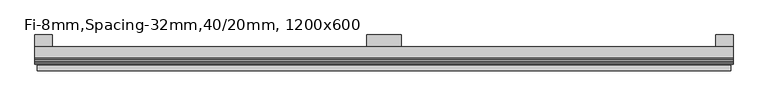
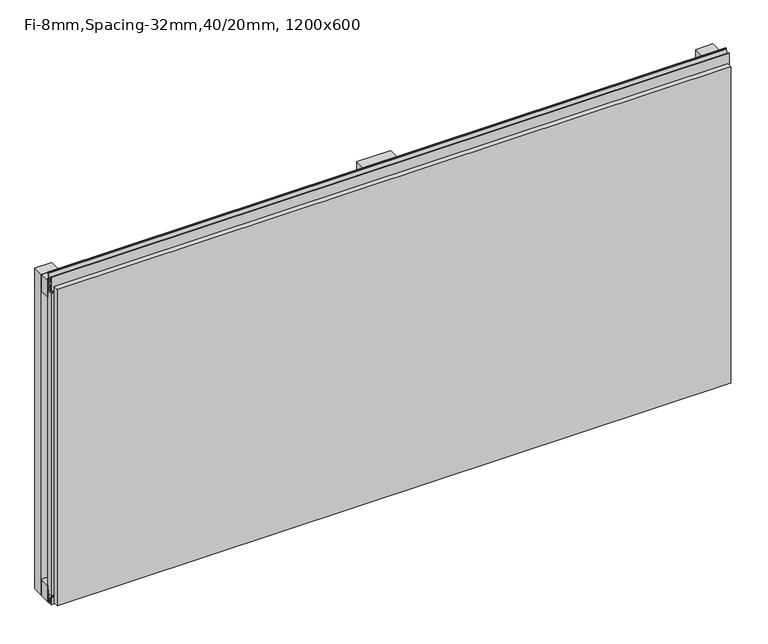
"""IFC4 building model written with IfcOpenShell, lengths in millimetres: plate geometry, Fi-8mm,Spacing-32mm,40/20mm, 1200x600."""

from ifc_helpers import new_model, si_unit, frame, origin, origin_with_axes, place, context, project, spatial, polyline, outline, extrude, faceted_brep, source, transform, mapped, element, save


def fi_8mm_spacing_32mm_40_20mm_1200x600_a8707a50(model_context):
    return source(origin(), model_context, "Body", "SolidModel", [
        extrude(outline(polyline([(-600.0, -40.0), (-600.0, -20.0), (600.0, -20.0), (600.0, -40.0), (-600.0, -40.0)])), frame((0.0, 0.0, 570.0), z_axis=(0.0, 0.0, 1.0), x_axis=(1.0, 0.0, 0.0)), (0.0, 0.0, 1.0), 30.0),
        extrude(outline(polyline([(-600.0, -40.0), (-600.0, -20.0), (600.0, -20.0), (600.0, -40.0), (-600.0, -40.0)])), origin_with_axes(), (0.0, 0.0, 1.0), 30.0),
        extrude(outline(polyline([(570.0, 0.0), (600.0, 0.0), (600.0, -20.0), (570.0, -20.0), (570.0, 0.0)])), origin_with_axes(), (0.0, 0.0, 1.0), 600.0),
        extrude(outline(polyline([(30.0, 0.0), (30.0, -20.0), (-30.0, -20.0), (-30.0, 0.0), (30.0, 0.0)])), origin_with_axes(), (0.0, 0.0, 1.0), 600.0),
        extrude(outline(polyline([(-570.0, 0.0), (-570.0, -20.0), (-600.0, -20.0), (-600.0, 0.0), (-570.0, 0.0)])), origin_with_axes(), (0.0, 0.0, 1.0), 600.0),
        extrude(outline(polyline([(-40.0, 6.299084), (-40.0, 0.0), (-50.1, 0.0), (-50.1, 13.4156807), (-48.7, 13.4156807), (-48.7, 1.4156807), (-41.4, 1.4156807), (-41.4, 4.899084), (-45.5140545, 4.899084), (-41.4553267, 15.5703394), (-41.4553267, 22.991548), (-40.0553267, 22.991548), (-40.0553267, 15.3558599), (-43.5, 6.299084), (-40.0, 6.299084)])), frame((-600.0, 0.0, 0.0), z_axis=(1.0, 0.0, 0.0), x_axis=(0.0, 1.0, 0.0)), (0.0, 0.0, 1.0), 1200.0),
        extrude(outline(polyline([(-593.700916, -40.0), (-593.700916, -43.5), (-584.6441401, -40.0553267), (-577.008452, -40.0553267), (-577.008452, -41.4553267), (-584.4296606, -41.4553267), (-595.100916, -45.5140545), (-595.100916, -41.4), (-598.5843193, -41.4), (-598.5843193, -48.7), (-586.5843193, -48.7), (-586.5843193, -50.1), (-600.0, -50.1), (-600.0, -40.0), (-593.700916, -40.0)])), frame((0.0, 0.0, 16.9558599), z_axis=(0.0, 0.0, 1.0), x_axis=(1.0, 0.0, 0.0)), (0.0, 0.0, 1.0), 566.0882802),
        extrude(outline(polyline([(593.700916, -40.0), (600.0, -40.0), (600.0, -50.1), (586.5843193, -50.1), (586.5843193, -48.7), (598.5843193, -48.7), (598.5843193, -41.4), (595.100916, -41.4), (595.100916, -45.5140545), (584.4296606, -41.4553267), (577.008452, -41.4553267), (577.008452, -40.0553267), (584.6441401, -40.0553267), (593.700916, -43.5), (593.700916, -40.0)])), frame((0.0, 0.0, 16.9558599), z_axis=(0.0, 0.0, 1.0), x_axis=(1.0, 0.0, 0.0)), (0.0, 0.0, 1.0), 566.0882802),
        extrude(outline(polyline([(-48.7, 600.899084), (-41.4, 600.899084), (-41.4, 604.899084), (-45.5140545, 604.899084), (-41.4553267, 615.5703394), (-41.4553267, 616.9558599), (-40.0553267, 616.9558599), (-40.0553267, 615.3558599), (-43.5, 606.299084), (-40.0, 606.299084), (-40.0, 593.700916), (-43.5, 593.700916), (-40.0553267, 584.6441401), (-40.0553267, 583.0441401), (-41.4553267, 583.0441401), (-41.4553267, 584.4296606), (-45.5140545, 595.100916), (-41.4, 595.100916), (-41.4, 599.100916), (-48.7, 599.100916), (-48.7, 587.100916), (-50.1, 587.100916), (-50.1, 612.899084), (-48.7, 612.899084), (-48.7, 600.899084)])), frame((-600.0, 0.0, 0.0), z_axis=(1.0, 0.0, 0.0), x_axis=(0.0, 1.0, 0.0)), (0.0, 0.0, 1.0), 1200.0),
        faceted_brep([(596.0, -45.9, 596.0), (-596.0, -45.9, 596.0), (-596.0, -48.7, 596.0), (596.0, -48.7, 596.0), (-596.0, -61.9, 596.0), (596.0, -61.9, 596.0), (596.0, -51.9, 596.0), (-596.0, -51.9, 596.0), (-596.0, -45.9, 4.0), (596.0, -45.9, 4.0), (596.0, -48.7, 4.0), (-596.0, -48.7, 4.0), (596.0, -61.9, 4.0), (-596.0, -61.9, 4.0), (-596.0, -51.9, 4.0), (596.0, -51.9, 4.0), (584.0, -51.9, 584.0), (584.0, -51.9, 16.0), (584.0, -48.7, 16.0), (584.0, -48.7, 584.0), (-584.0, -51.9, 16.0), (-584.0, -48.7, 16.0), (-584.0, -51.9, 584.0), (-584.0, -48.7, 584.0)], [[[0, 1, 2, 3]], [[4, 5, 6, 7]], [[8, 9, 10, 11]], [[12, 13, 14, 15]], [[1, 0, 9, 8]], [[1, 8, 11, 2]], [[13, 4, 7, 14]], [[5, 4, 13, 12]], [[9, 0, 3, 10]], [[5, 12, 15, 6]], [[16, 17, 18, 19]], [[18, 17, 20, 21]], [[21, 20, 22, 23]], [[16, 19, 23, 22]], [[7, 6, 15, 14], [17, 16, 22, 20]], [[3, 2, 11, 10], [19, 18, 21, 23]]]),
    ])


if __name__ == "__main__":
    model = new_model("IFC4")
    model_context = context("Model", 3, world=origin())
    ifc_project = project(units=[si_unit("LENGTHUNIT", "METRE", prefix="MILLI")], contexts=[model_context])
    site = spatial("IfcSite", under=ifc_project)
    building = spatial("IfcBuilding", under=site)
    placement = place(None, origin())
    fi_8mm_spacing_32mm_40_20mm_1200x600_shape = fi_8mm_spacing_32mm_40_20mm_1200x600_a8707a50(model_context)
    element("IfcPlate", 1, ObjectType="Fi-8mm,Spacing-32mm,40/20mm, 1200x600", at=placement, inside=building, context=model_context, shape_type="MappedRepresentation", body=[
        mapped(fi_8mm_spacing_32mm_40_20mm_1200x600_shape, transform((0.0, 0.0, 0.0), x_axis=(1.0, 0.0, 0.0), y_axis=(0.0, 1.0, 0.0), z_axis=(0.0, 0.0, 1.0))),
    ])
    save(model, "model.ifc")
